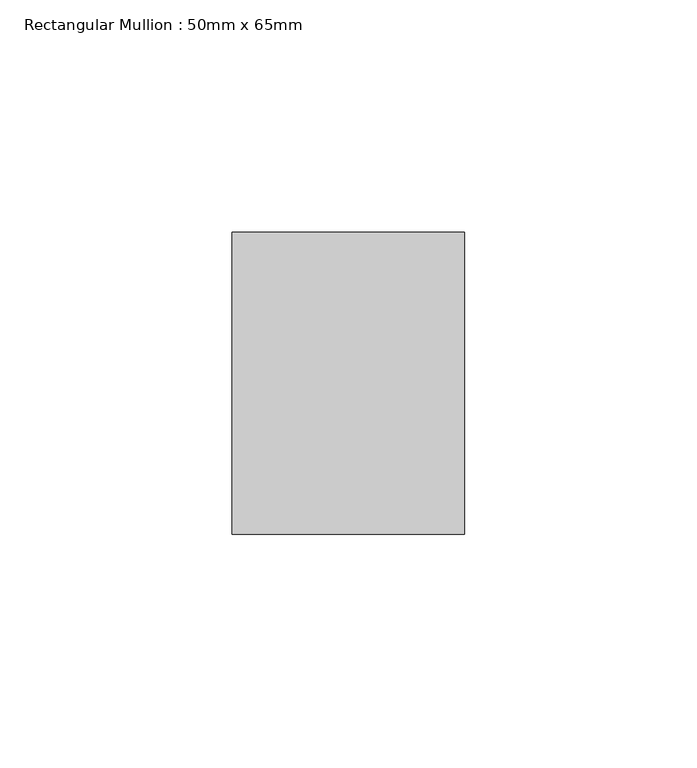
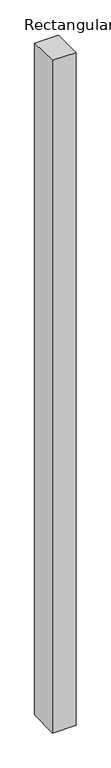
"""IFC4 building model written with IfcOpenShell, lengths in millimetres: member geometry, Rectangular Mullion : 50mm x 65mm."""

from ifc_helpers import new_model, si_unit, origin, place, context, project, spatial, faceted_brep, source, transform, mapped, element, save


def rectangular_mullion_50mm_x_65mm_e1230cad(model_context):
    return source(origin(), model_context, "Body", "Brep", [
        faceted_brep([(-25.0, 32.5, -0.5683228), (25.0, 32.5, -0.5683163), (25.0, 32.5, -1499.2873663), (-25.0, 32.5, -1499.2873581), (-25.0, -32.5, 0.5683163), (-25.0, -32.5, -1500.7127737), (25.0, -32.5, 0.5683228), (25.0, -32.5, -1500.7127818)], [[[0, 1, 2, 3]], [[4, 0, 3, 5]], [[6, 4, 5, 7]], [[1, 6, 7, 2]], [[1, 0, 4, 6]], [[2, 7, 5, 3]]]),
    ])


if __name__ == "__main__":
    model = new_model("IFC4")
    model_context = context("Model", 3, world=origin())
    ifc_project = project(units=[si_unit("LENGTHUNIT", "METRE", prefix="MILLI")], contexts=[model_context])
    site = spatial("IfcSite", under=ifc_project)
    building = spatial("IfcBuilding", under=site)
    placement = place(None, origin())
    rectangular_mullion_50mm_x_65mm_shape = rectangular_mullion_50mm_x_65mm_e1230cad(model_context)
    element("IfcMember", 1, ObjectType="Rectangular Mullion : 50mm x 65mm", at=placement, inside=building, context=model_context, shape_type="MappedRepresentation", body=[
        mapped(rectangular_mullion_50mm_x_65mm_shape, transform((0.0, 0.0, 0.0), x_axis=(1.0, 0.0, 0.0), y_axis=(0.0, 1.0, 0.0), z_axis=(0.0, 0.0, 1.0))),
    ])
    save(model, "model.ifc")
